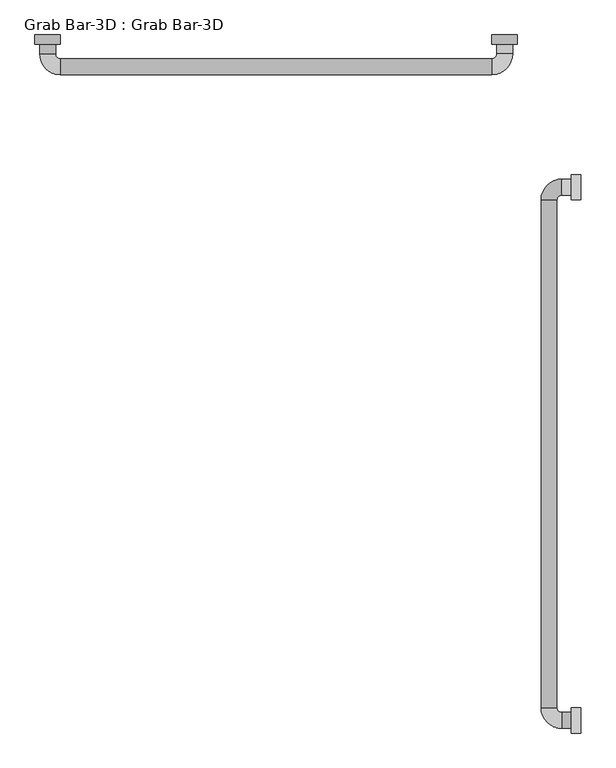
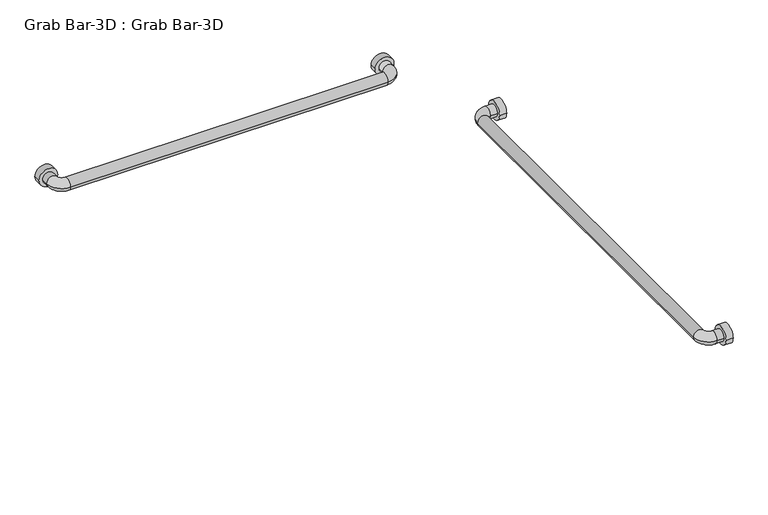
"""IFC4 building model written with IfcOpenShell, lengths in millimetres: proxy geometry, Grab Bar-3D : Grab Bar-3D."""

import ifcopenshell
import ifcopenshell.guid

model = None  # the IFC model being written
_history = None  # IfcOwnerHistory: only IFC2X3 demands one
_inside = {}  # id of a spatial element -> (the spatial element, [elements in it])
_under = {}  # id of a project, library or spatial element -> (it, [spatial elements below it])
_declared = {}  # id of a project -> (the project, [libraries it declares])
_typed = {}  # id of a type object -> (the type object, [elements of that type])
_made_of = {}  # id of a material, layer set ... -> (it, [elements and type objects made of it])


def new_model(schema):
    """Start an empty IFC model of exactly this schema.

    Asked for "IFC4X3", IfcOpenShell would pick the latest addendum, in which some entities
    have other attributes; the version numbers below select the first issue.
    IFC2X3 requires an IfcOwnerHistory on every rooted entity: one is made here for all.
    """
    global model, _history
    if schema == "IFC4X3":
        model = ifcopenshell.file(schema_version=(4, 3, 0, 0))
    else:
        model = ifcopenshell.file(schema=schema)
    _inside.clear()
    _under.clear()
    _declared.clear()
    _typed.clear()
    _made_of.clear()
    _history = None
    if model.schema == "IFC2X3":
        org = make("IfcOrganization", Name="unknown")
        user = make(
            "IfcPersonAndOrganization",
            ThePerson=make("IfcPerson", FamilyName="unknown"),
            TheOrganization=org,
        )
        app = make(
            "IfcApplication",
            ApplicationDeveloper=org,
            Version="unknown",
            ApplicationFullName="unknown",
            ApplicationIdentifier="unknown",
        )
        _history = make(
            "IfcOwnerHistory",
            OwningUser=user,
            OwningApplication=app,
            ChangeAction="ADDED",
            CreationDate=0,
        )
    return model


def make(cls, **values):
    """One entity of the class cls with the attributes given. An attribute that is None is left unset."""
    return model.create_entity(
        cls, **{name: value for name, value in values.items() if value is not None}
    )


def rooted(cls, **values):
    """An entity with a GlobalId (a new one), such as an element, a storey or a relation."""
    return make(cls, GlobalId=ifcopenshell.guid.new(), OwnerHistory=_history, **values)


def si_unit(unit_type, name, prefix=None):
    """IfcSIUnit, for example si_unit("LENGTHUNIT", "METRE", prefix="MILLI")."""
    return make("IfcSIUnit", UnitType=unit_type, Prefix=prefix, Name=name)


def assignment(units):
    """IfcUnitAssignment: the units of a project."""
    return None if units is None else make("IfcUnitAssignment", Units=units)


def point(xyz):
    """IfcCartesianPoint."""
    return None if xyz is None else make("IfcCartesianPoint", Coordinates=xyz)


def direction(xyz):
    """IfcDirection."""
    return None if xyz is None else make("IfcDirection", DirectionRatios=xyz)


def frame(location, z_axis=None, x_axis=None):
    """IfcAxis2Placement3D, a coordinate frame: its origin and axes. An axis left out is left unset."""
    return make(
        "IfcAxis2Placement3D",
        Location=point(location),
        Axis=direction(z_axis),
        RefDirection=direction(x_axis),
    )


def frame_2d(location, x_axis=None):
    """IfcAxis2Placement2D, a coordinate frame in the plane: its origin and x axis."""
    return make(
        "IfcAxis2Placement2D", Location=point(location), RefDirection=direction(x_axis)
    )


def origin():
    """The frame at (0, 0, 0) with its axes left unset."""
    return frame((0.0, 0.0, 0.0))


def place(relative_to, where):
    """IfcLocalPlacement: puts the frame where relative to a parent placement (None: the world)."""
    return make(
        "IfcLocalPlacement", PlacementRelTo=relative_to, RelativePlacement=where
    )


def context(
    kind, dimensions, precision=None, world=None, true_north=None, identifier=None
):
    """IfcGeometricRepresentationContext, for example the 3D "Model" context."""
    return make(
        "IfcGeometricRepresentationContext",
        ContextIdentifier=identifier,
        ContextType=kind,
        CoordinateSpaceDimension=dimensions,
        Precision=precision,
        WorldCoordinateSystem=world,
        TrueNorth=true_north,
    )


def project(units=None, contexts=None):
    """IfcProject with its units and contexts."""
    return rooted(
        "IfcProject",
        Name="project",
        RepresentationContexts=contexts,
        UnitsInContext=assignment(units),
    )


def spatial(cls, under=None, at=None, **own):
    """A site, building, storey or space (cls), placed at a placement, below another one or the project."""
    s = rooted(cls, ObjectPlacement=at, **own)
    if under is not None:
        _under.setdefault(under.id(), (under, []))[1].append(s)
    return s


def circle_curve(where, radius):
    """IfcCircle in the frame where."""
    return make("IfcCircle", Position=where, Radius=radius)


def ellipse_curve(where, semi_axis1, semi_axis2):
    """IfcEllipse in the frame where."""
    return make(
        "IfcEllipse", Position=where, SemiAxis1=semi_axis1, SemiAxis2=semi_axis2
    )


def trimmed(basis, trim1, trim2, sense, master):
    """IfcTrimmedCurve: the piece of a basis curve between two trims."""
    return make(
        "IfcTrimmedCurve",
        BasisCurve=basis,
        Trim1=trim1,
        Trim2=trim2,
        SenseAgreement=sense,
        MasterRepresentation=master,
    )


def segment(curve, same_sense, transition):
    """IfcCompositeCurveSegment."""
    return make(
        "IfcCompositeCurveSegment",
        Transition=transition,
        SameSense=same_sense,
        ParentCurve=curve,
    )


def composite_curve(segments, self_intersect=None):
    """IfcCompositeCurve: segments joined end to end."""
    return make("IfcCompositeCurve", Segments=segments, SelfIntersect=self_intersect)


def outline(outer, holes=None, kind="AREA"):
    """IfcArbitraryClosedProfileDef: a profile drawn as a closed curve; with holes, ...WithVoids."""
    if holes is None:
        return make("IfcArbitraryClosedProfileDef", ProfileType=kind, OuterCurve=outer)
    return make(
        "IfcArbitraryProfileDefWithVoids",
        ProfileType=kind,
        OuterCurve=outer,
        InnerCurves=holes,
    )


def extrude(swept, where, along, depth):
    """IfcExtrudedAreaSolid: the profile swept, set in the frame where, extruded along a direction by depth."""
    return make(
        "IfcExtrudedAreaSolid",
        SweptArea=swept,
        Position=where,
        ExtrudedDirection=direction(along),
        Depth=depth,
    )


def shape(context_of_items, identifier, shape_type, items):
    """IfcShapeRepresentation: the items that make up one representation, for example the "Body"."""
    return make(
        "IfcShapeRepresentation",
        ContextOfItems=context_of_items,
        RepresentationIdentifier=identifier,
        RepresentationType=shape_type,
        Items=items,
    )


def source(mapping_origin, context_of_items, identifier, shape_type, items):
    """IfcRepresentationMap: a shape defined once, which mapped items show again and again."""
    return make(
        "IfcRepresentationMap",
        MappingOrigin=mapping_origin,
        MappedRepresentation=shape(context_of_items, identifier, shape_type, items),
    )


def transform(
    local_origin,
    x_axis=None,
    y_axis=None,
    z_axis=None,
    scale=None,
    scale2=None,
    scale3=None,
    uniform=True,
):
    """IfcCartesianTransformationOperator3D, or its non-uniform kind. x_axis, y_axis, z_axis: its Axis1, 2, 3."""
    if uniform:
        return make(
            "IfcCartesianTransformationOperator3D",
            Axis1=direction(x_axis),
            Axis2=direction(y_axis),
            LocalOrigin=point(local_origin),
            Scale=scale,
            Axis3=direction(z_axis),
        )
    return make(
        "IfcCartesianTransformationOperator3DnonUniform",
        Axis1=direction(x_axis),
        Axis2=direction(y_axis),
        LocalOrigin=point(local_origin),
        Scale=scale,
        Axis3=direction(z_axis),
        Scale2=scale2,
        Scale3=scale3,
    )


def mapped(mapping_source, mapping_target):
    """IfcMappedItem: shows the shape of a source again, moved by a transform."""
    return make(
        "IfcMappedItem", MappingSource=mapping_source, MappingTarget=mapping_target
    )


def made_of(thing, what):
    """Note that an element or type object is made of a material, layer set ...; save() writes the relation."""
    if what is not None:
        _made_of.setdefault(what.id(), (what, []))[1].append(thing)
    return thing


def element(
    cls,
    number,
    at=None,
    inside=None,
    cuts=None,
    type_object=None,
    material=None,
    context=None,
    identifier="Body",
    shape_type=None,
    held_by="IfcProductDefinitionShape",
    body=None,
    shapes=None,
    **own,
):
    """One element of the class cls, such as IfcWall. Its Tag is "e" and its number.

    at: its placement. inside: the storey or other place that contains it. cuts: it is an
    opening in that element (IfcRelVoidsElement). A single representation is given by context,
    identifier, shape_type and body (its items); several are given by shapes. held_by: the class
    of the entity that holds the representations. save() writes the other relations.
    """
    e = rooted(cls, Tag="e%d" % number, ObjectPlacement=at, **own)
    if body is not None:
        shapes = [shape(context, identifier, shape_type, body)]
    if shapes is not None:
        e.Representation = make(held_by, Representations=shapes)
    if inside is not None:
        _inside.setdefault(inside.id(), (inside, []))[1].append(e)
    if cuts is not None:
        rooted(
            "IfcRelVoidsElement", RelatingBuildingElement=cuts, RelatedOpeningElement=e
        )
    if type_object is not None:
        _typed.setdefault(type_object.id(), (type_object, []))[1].append(e)
    return made_of(e, material)


def aggregate(whole, parts):
    """IfcRelAggregates: a whole, such as a stair, and the parts it consists of."""
    return rooted("IfcRelAggregates", RelatingObject=whole, RelatedObjects=parts)


def save(model, path):
    """Write the relations noted so far, then the file.

    IfcRelAggregates (storeys below a building ...), IfcRelContainedInSpatialStructure (elements
    in a storey), IfcRelDefinesByType, IfcRelAssociatesMaterial and IfcRelDeclares: one each for
    every whole, place, type object, material and project.
    """
    for whole, parts in _under.values():
        aggregate(whole, parts)
    for where, things in _inside.values():
        rooted(
            "IfcRelContainedInSpatialStructure",
            RelatedElements=things,
            RelatingStructure=where,
        )
    for kind, things in _typed.values():
        rooted("IfcRelDefinesByType", RelatedObjects=things, RelatingType=kind)
    for what, things in _made_of.values():
        rooted("IfcRelAssociatesMaterial", RelatedObjects=things, RelatingMaterial=what)
    for by, libraries in _declared.values():
        rooted("IfcRelDeclares", RelatingContext=by, RelatedDefinitions=libraries)
    model.write(path)


def plane_surface(at):
    """IfcPlane: the flat surface through the origin of the frame at, square to its z axis."""
    return make("IfcPlane", Position=at)


def cylinder_surface(at, radius):
    """IfcCylindricalSurface: all points at the distance radius from the z axis of the frame at."""
    return make("IfcCylindricalSurface", Position=at, Radius=radius)


def revolved_surface(curve, axis_point, axis_direction):
    """IfcSurfaceOfRevolution: the curve turned about the line through axis_point along axis_direction."""
    return make(
        "IfcSurfaceOfRevolution",
        SweptCurve=make("IfcArbitraryOpenProfileDef", ProfileType="CURVE", Curve=curve),
        AxisPosition=make("IfcAxis1Placement", Location=point(axis_point), Axis=direction(axis_direction)),
    )


def advanced_brep(points, edges, surfaces, faces):
    """IfcAdvancedBrep: a solid bounded by faces that lie on surfaces and meet in shared edges.

    An edge is (start, end): straight between two places in points (the first is 0);
    or (start, end, curve); or (start, end, curve, False) where it runs against its curve.
    A face is (place in surfaces, loops), or (place, loops, False) where it looks against
    its surface's normal. A loop lists edges by number (the first is 1), with a minus sign
    where the edge is run from its end to its start. The first loop is the outer one.
    """
    corners = [point(p) for p in points]
    vertices = [make("IfcVertexPoint", VertexGeometry=c) for c in corners]
    made = []
    for start, end, *more in edges:
        made.append(
            make(
                "IfcEdgeCurve",
                EdgeStart=vertices[start],
                EdgeEnd=vertices[end],
                EdgeGeometry=more[0] if more else make("IfcPolyline", Points=[corners[start], corners[end]]),
                SameSense=more[1] if len(more) > 1 else True,
            )
        )
    hull = []
    for where, loops, *sense in faces:
        bounds = []
        for j, loop in enumerate(loops):
            ring = [make("IfcOrientedEdge", EdgeElement=made[abs(k) - 1], Orientation=k > 0) for k in loop]
            bounds.append(
                make(
                    "IfcFaceOuterBound" if j == 0 else "IfcFaceBound",
                    Bound=make("IfcEdgeLoop", EdgeList=ring),
                    Orientation=True,
                )
            )
        hull.append(make("IfcAdvancedFace", Bounds=bounds, FaceSurface=surfaces[where], SameSense=sense[0] if sense else True))
    return make("IfcAdvancedBrep", Outer=make("IfcClosedShell", CfsFaces=hull))


def grab_bar_3d_grab_bar_3d_a3ed3e83(model_context):
    return source(origin(), model_context, "Body", "SolidModel", [
        extrude(outline(composite_curve([segment(trimmed(circle_curve(frame_2d((-304.8, 914.4)), 25.4), [point((-279.4, 914.4))], [point((-330.2, 914.4))], False, "CARTESIAN"), True, "CONTINUOUS"), segment(trimmed(circle_curve(frame_2d((-304.8, 914.4)), 25.4), [point((-330.2, 914.4))], [point((-279.4, 914.4))], False, "CARTESIAN"), True, "CONTINUOUS")], self_intersect=False)), frame((-19.05, 0.0, 0.0), z_axis=(1.0, 0.0, 0.0), x_axis=(0.0, 1.0, 0.0)), (0.0, 0.0, 1.0), 19.05),
        extrude(outline(composite_curve([segment(trimmed(circle_curve(frame_2d((-1371.6, 914.4)), 25.4), [point((-1346.2, 914.4))], [point((-1397.0, 914.4))], False, "CARTESIAN"), True, "CONTINUOUS"), segment(trimmed(circle_curve(frame_2d((-1371.6, 914.4)), 25.4), [point((-1397.0, 914.4))], [point((-1346.2, 914.4))], False, "CARTESIAN"), True, "CONTINUOUS")], self_intersect=False)), frame((-19.05, 0.0, 0.0), z_axis=(1.0, 0.0, 0.0), x_axis=(0.0, 1.0, 0.0)), (0.0, 0.0, 1.0), 19.05),
        extrude(outline(composite_curve([segment(trimmed(circle_curve(frame_2d((914.4, -152.4)), 25.4), [point((914.4, -177.8))], [point((914.4, -127.0))], False, "CARTESIAN"), True, "CONTINUOUS"), segment(trimmed(circle_curve(frame_2d((914.4, -152.4)), 25.4), [point((914.4, -127.0))], [point((914.4, -177.8))], False, "CARTESIAN"), True, "CONTINUOUS")], self_intersect=False)), frame((0.0, -19.05, 0.0), z_axis=(0.0, 1.0, 0.0), x_axis=(0.0, 0.0, 1.0)), (0.0, 0.0, 1.0), 19.05),
        extrude(outline(composite_curve([segment(trimmed(circle_curve(frame_2d((914.4, -1066.8)), 25.4), [point((914.4, -1092.2))], [point((914.4, -1041.4))], False, "CARTESIAN"), True, "CONTINUOUS"), segment(trimmed(circle_curve(frame_2d((914.4, -1066.8)), 25.4), [point((914.4, -1041.4))], [point((914.4, -1092.2))], False, "CARTESIAN"), True, "CONTINUOUS")], self_intersect=False)), frame((0.0, -19.05, 0.0), z_axis=(0.0, 1.0, 0.0), x_axis=(0.0, 0.0, 1.0)), (0.0, 0.0, 1.0), 19.05),
        advanced_brep(
        [(-19.05, -320.675, 914.4), (-19.05, -288.925, 914.4), (-38.1, -288.925, 914.4), (-38.1, -320.675, 914.4), (-79.375, -330.2, 914.4), (-47.625, -330.2, 914.4), (-79.375, -1346.2, 914.4), (-47.625, -1346.2, 914.4), (-38.1, -1387.475, 914.4), (-38.1, -1355.725, 914.4), (-19.05, -1355.725, 914.4), (-19.05, -1387.475, 914.4)],
        [
            (0, 1, circle_curve(frame((-19.05, -304.8, 914.4), z_axis=(1.0, 0.0, 0.0), x_axis=(0.0, 1.0, 0.0)), 15.875)),
            (1, 0, circle_curve(frame((-19.05, -304.8, 914.4), z_axis=(1.0, 0.0, 0.0), x_axis=(0.0, 1.0, 0.0)), 15.875)),
            (1, 2),
            (2, 3, circle_curve(frame((-38.1, -304.8, 914.4), z_axis=(1.0, 0.0, 0.0), x_axis=(0.0, 1.0, 0.0)), 15.875)),
            (3, 0),
            (3, 2, circle_curve(frame((-38.1, -304.8, 914.4), z_axis=(1.0, 0.0, 0.0), x_axis=(0.0, 1.0, 0.0)), 15.875)),
            (4, 5, circle_curve(frame((-63.5, -330.2, 914.4), z_axis=(0.0, 1.0, 0.0), x_axis=(-1.0, 0.0, 0.0)), 15.875)),
            (5, 3, circle_curve(frame((-38.1, -330.2, 914.4), z_axis=(0.0, 0.0, -1.0), x_axis=(0.0, 1.0, 0.0)), 9.525)),
            (2, 4, circle_curve(frame((-38.1, -330.2, 914.4), z_axis=(0.0, 0.0, 1.0), x_axis=(0.0, 1.0, 0.0)), 41.275)),
            (5, 4, circle_curve(frame((-63.5, -330.2, 914.4), z_axis=(0.0, 1.0, 0.0), x_axis=(-1.0, 0.0, 0.0)), 15.875)),
            (4, 6),
            (6, 7, circle_curve(frame((-63.5, -1346.2, 914.4), z_axis=(0.0, 1.0, 0.0), x_axis=(-1.0, 0.0, 0.0)), 15.875)),
            (7, 5),
            (7, 6, circle_curve(frame((-63.5, -1346.2, 914.4), z_axis=(0.0, 1.0, 0.0), x_axis=(-1.0, 0.0, 0.0)), 15.875)),
            (8, 9, circle_curve(frame((-38.1, -1371.6, 914.4), z_axis=(-1.0, 0.0, 0.0), x_axis=(0.0, -1.0, 0.0)), 15.875)),
            (9, 7, circle_curve(frame((-38.1, -1346.2, 914.4), z_axis=(0.0, 0.0, -1.0), x_axis=(-1.0, 0.0, 0.0)), 9.525)),
            (6, 8, circle_curve(frame((-38.1, -1346.2, 914.4), z_axis=(0.0, 0.0, 1.0), x_axis=(-1.0, 0.0, 0.0)), 41.275)),
            (9, 8, circle_curve(frame((-38.1, -1371.6, 914.4), z_axis=(-1.0, 0.0, 0.0), x_axis=(0.0, -1.0, 0.0)), 15.875)),
            (10, 11, circle_curve(frame((-19.05, -1371.6, 914.4), z_axis=(1.0, 0.0, 0.0), x_axis=(0.0, -1.0, 0.0)), 15.875)),
            (11, 10, circle_curve(frame((-19.05, -1371.6, 914.4), z_axis=(1.0, 0.0, 0.0), x_axis=(0.0, -1.0, 0.0)), 15.875)),
            (8, 11),
            (10, 9),
        ],
        [
            plane_surface(frame((-19.05, -304.8, -930.275), z_axis=(1.0, 0.0, 0.0), x_axis=(0.0, 1.0, 0.0))),
            cylinder_surface(frame((-19.05, -304.8, 914.4), z_axis=(1.0, 0.0, 0.0), x_axis=(0.0, 1.0, 0.0)), 15.875),
            revolved_surface(trimmed(ellipse_curve(frame((-38.1, -304.8, 914.4), z_axis=(-1.0, 0.0, 0.0), x_axis=(0.0, 1.0, 0.0)), 15.875, 15.875), [point((-38.1, -320.675, 914.4))], [point((-38.1, -288.925, 914.4))], True, "CARTESIAN"), (-38.1, -330.2, 0.0), (0.0, 0.0, -1.0)),
            revolved_surface(trimmed(ellipse_curve(frame((-38.1, -304.8, 914.4), z_axis=(-1.0, 0.0, 0.0), x_axis=(0.0, 1.0, 0.0)), 15.875, 15.875), [point((-38.1, -288.925, 914.4))], [point((-38.1, -320.675, 914.4))], True, "CARTESIAN"), (-38.1, -330.2, 0.0), (0.0, 0.0, -1.0)),
            cylinder_surface(frame((-63.5, -330.2, 914.4), z_axis=(0.0, 1.0, 0.0), x_axis=(-1.0, 0.0, 0.0)), 15.875),
            revolved_surface(trimmed(ellipse_curve(frame((-63.5, -1346.2, 914.4), z_axis=(0.0, -1.0, 0.0), x_axis=(-1.0, 0.0, 0.0)), 15.875, 15.875), [point((-47.625, -1346.2, 914.4))], [point((-79.375, -1346.2, 914.4))], True, "CARTESIAN"), (-38.1, -1346.2, 0.0), (0.0, 0.0, -1.0)),
            revolved_surface(trimmed(ellipse_curve(frame((-63.5, -1346.2, 914.4), z_axis=(0.0, -1.0, 0.0), x_axis=(-1.0, 0.0, 0.0)), 15.875, 15.875), [point((-79.375, -1346.2, 914.4))], [point((-47.625, -1346.2, 914.4))], True, "CARTESIAN"), (-38.1, -1346.2, 0.0), (0.0, 0.0, -1.0)),
            plane_surface(frame((-19.05, -1371.6, -930.275), z_axis=(1.0, 0.0, 0.0), x_axis=(0.0, -1.0, 0.0))),
            cylinder_surface(frame((-38.1, -1371.6, 914.4), z_axis=(-1.0, 0.0, 0.0), x_axis=(0.0, -1.0, 0.0)), 15.875),
        ],
        [
            (0, [[1, 2]]),
            (1, [[3, 4, 5, -2]]),
            (1, [[-5, 6, -3, -1]]),
            (2, [[7, 8, -4, 9]]),
            (3, [[10, -9, -6, -8]]),
            (4, [[11, 12, 13, -7]]),
            (4, [[-13, 14, -11, -10]]),
            (5, [[15, 16, -12, 17]]),
            (6, [[18, -17, -14, -16]]),
            (7, [[19, 20]]),
            (8, [[21, -19, 22, -15]]),
            (8, [[-22, -20, -21, -18]]),
        ],
    ),
        advanced_brep(
        [(-1050.925, -19.05, 914.4), (-1082.675, -19.05, 914.4), (-1082.675, -38.1, 914.4), (-1050.925, -38.1, 914.4), (-1041.4, -79.375, 914.4), (-1041.4, -47.625, 914.4), (-177.8, -79.375, 914.4), (-177.8, -47.625, 914.4), (-136.525, -38.1, 914.4), (-168.275, -38.1, 914.4), (-168.275, -19.05, 914.4), (-136.525, -19.05, 914.4)],
        [
            (0, 1, circle_curve(frame((-1066.8, -19.05, 914.4), z_axis=(0.0, 1.0, 0.0), x_axis=(-1.0, 0.0, 0.0)), 15.875)),
            (1, 0, circle_curve(frame((-1066.8, -19.05, 914.4), z_axis=(0.0, 1.0, 0.0), x_axis=(-1.0, 0.0, 0.0)), 15.875)),
            (1, 2),
            (2, 3, circle_curve(frame((-1066.8, -38.1, 914.4), z_axis=(0.0, 1.0, 0.0), x_axis=(-1.0, 0.0, 0.0)), 15.875)),
            (3, 0),
            (3, 2, circle_curve(frame((-1066.8, -38.1, 914.4), z_axis=(0.0, 1.0, 0.0), x_axis=(-1.0, 0.0, 0.0)), 15.875)),
            (4, 5, circle_curve(frame((-1041.4, -63.5, 914.4), z_axis=(-1.0, 0.0, 0.0), x_axis=(0.0, -1.0, 0.0)), 15.875)),
            (5, 3, circle_curve(frame((-1041.4, -38.1, 914.4), z_axis=(0.0, 0.0, -1.0), x_axis=(-1.0, 0.0, 0.0)), 9.525)),
            (2, 4, circle_curve(frame((-1041.4, -38.1, 914.4), z_axis=(0.0, 0.0, 1.0), x_axis=(-1.0, 0.0, 0.0)), 41.275)),
            (5, 4, circle_curve(frame((-1041.4, -63.5, 914.4), z_axis=(-1.0, 0.0, 0.0), x_axis=(0.0, -1.0, 0.0)), 15.875)),
            (4, 6),
            (6, 7, circle_curve(frame((-177.8, -63.5, 914.4), z_axis=(-1.0, 0.0, 0.0), x_axis=(0.0, -1.0, 0.0)), 15.875)),
            (7, 5),
            (7, 6, circle_curve(frame((-177.8, -63.5, 914.4), z_axis=(-1.0, 0.0, 0.0), x_axis=(0.0, -1.0, 0.0)), 15.875)),
            (8, 9, circle_curve(frame((-152.4, -38.1, 914.4), z_axis=(0.0, -1.0, 0.0), x_axis=(1.0, 0.0, 0.0)), 15.875)),
            (9, 7, circle_curve(frame((-177.8, -38.1, 914.4), z_axis=(0.0, 0.0, -1.0), x_axis=(0.0, -1.0, 0.0)), 9.525)),
            (6, 8, circle_curve(frame((-177.8, -38.1, 914.4), z_axis=(0.0, 0.0, 1.0), x_axis=(0.0, -1.0, 0.0)), 41.275)),
            (9, 8, circle_curve(frame((-152.4, -38.1, 914.4), z_axis=(0.0, -1.0, 0.0), x_axis=(1.0, 0.0, 0.0)), 15.875)),
            (10, 11, circle_curve(frame((-152.4, -19.05, 914.4), z_axis=(0.0, 1.0, 0.0), x_axis=(1.0, 0.0, 0.0)), 15.875)),
            (11, 10, circle_curve(frame((-152.4, -19.05, 914.4), z_axis=(0.0, 1.0, 0.0), x_axis=(1.0, 0.0, 0.0)), 15.875)),
            (8, 11),
            (10, 9),
        ],
        [
            plane_surface(frame((-1997.075, -19.05, 0.0), z_axis=(0.0, 1.0, 0.0), x_axis=(0.0, 0.0, 1.0))),
            cylinder_surface(frame((-1066.8, -19.05, 914.4), z_axis=(0.0, 1.0, 0.0), x_axis=(-1.0, 0.0, 0.0)), 15.875),
            revolved_surface(trimmed(ellipse_curve(frame((-1066.8, -38.1, 914.4), z_axis=(0.0, -1.0, 0.0), x_axis=(-1.0, 0.0, 0.0)), 15.875, 15.875), [point((-1050.925, -38.1, 914.4))], [point((-1082.675, -38.1, 914.4))], True, "CARTESIAN"), (-1041.4, -38.1, 0.0), (0.0, 0.0, -1.0)),
            revolved_surface(trimmed(ellipse_curve(frame((-1066.8, -38.1, 914.4), z_axis=(0.0, -1.0, 0.0), x_axis=(-1.0, 0.0, 0.0)), 15.875, 15.875), [point((-1082.675, -38.1, 914.4))], [point((-1050.925, -38.1, 914.4))], True, "CARTESIAN"), (-1041.4, -38.1, 0.0), (0.0, 0.0, -1.0)),
            cylinder_surface(frame((-1041.4, -63.5, 914.4), z_axis=(-1.0, 0.0, 0.0), x_axis=(0.0, -1.0, 0.0)), 15.875),
            revolved_surface(trimmed(ellipse_curve(frame((-177.8, -63.5, 914.4), z_axis=(1.0, 0.0, 0.0), x_axis=(0.0, -1.0, 0.0)), 15.875, 15.875), [point((-177.8, -47.625, 914.4))], [point((-177.8, -79.375, 914.4))], True, "CARTESIAN"), (-177.8, -38.1, 0.0), (0.0, 0.0, -1.0)),
            revolved_surface(trimmed(ellipse_curve(frame((-177.8, -63.5, 914.4), z_axis=(1.0, 0.0, 0.0), x_axis=(0.0, -1.0, 0.0)), 15.875, 15.875), [point((-177.8, -79.375, 914.4))], [point((-177.8, -47.625, 914.4))], True, "CARTESIAN"), (-177.8, -38.1, 0.0), (0.0, 0.0, -1.0)),
            plane_surface(frame((-1082.675, -19.05, 0.0), z_axis=(0.0, 1.0, 0.0), x_axis=(0.0, 0.0, -1.0))),
            cylinder_surface(frame((-152.4, -38.1, 914.4), z_axis=(0.0, -1.0, 0.0), x_axis=(1.0, 0.0, 0.0)), 15.875),
        ],
        [
            (0, [[1, 2]]),
            (1, [[3, 4, 5, -2]]),
            (1, [[-5, 6, -3, -1]]),
            (2, [[7, 8, -4, 9]]),
            (3, [[10, -9, -6, -8]]),
            (4, [[11, 12, 13, -7]]),
            (4, [[-13, 14, -11, -10]]),
            (5, [[15, 16, -12, 17]]),
            (6, [[18, -17, -14, -16]]),
            (7, [[19, 20]]),
            (8, [[21, -19, 22, -15]]),
            (8, [[-22, -20, -21, -18]]),
        ],
    ),
    ])


if __name__ == "__main__":
    model = new_model("IFC4")
    model_context = context("Model", 3, world=origin())
    ifc_project = project(units=[si_unit("LENGTHUNIT", "METRE", prefix="MILLI")], contexts=[model_context])
    site = spatial("IfcSite", under=ifc_project)
    building = spatial("IfcBuilding", under=site)
    placement = place(None, origin())
    grab_bar_3d_grab_bar_3d_shape = grab_bar_3d_grab_bar_3d_a3ed3e83(model_context)
    element("IfcBuildingElementProxy", 1, Name="Grab Bar-3D : Grab Bar-3D", ObjectType="Grab Bar-3D : Grab Bar-3D", at=placement, inside=building, context=model_context, shape_type="MappedRepresentation", body=[
        mapped(grab_bar_3d_grab_bar_3d_shape, transform((0.0, 0.0, 0.0), x_axis=(1.0, 0.0, 0.0), y_axis=(0.0, 1.0, 0.0), z_axis=(0.0, 0.0, 1.0))),
    ])
    save(model, "model.ifc")
